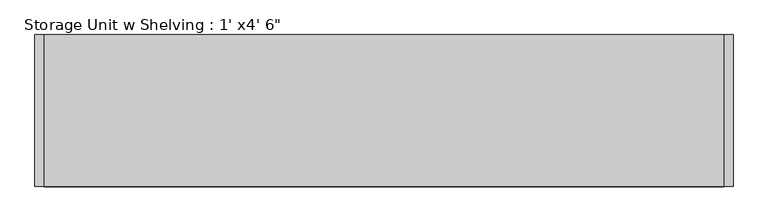
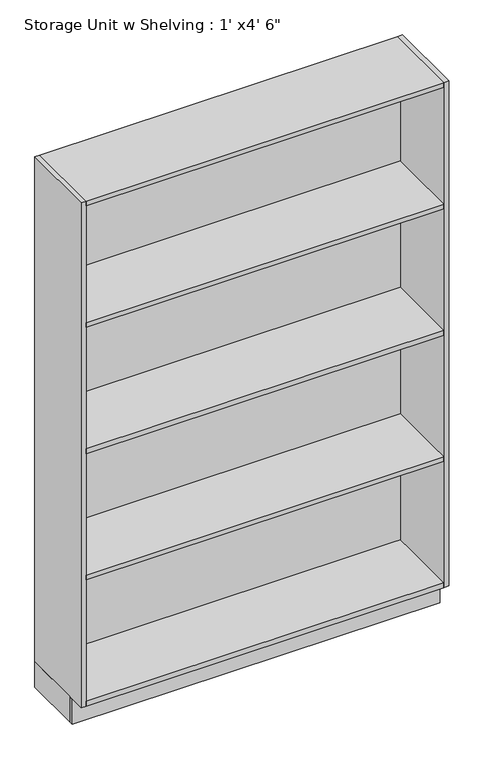
"""IFC4 building model written with IfcOpenShell, lengths in millimetres: furniture geometry."""

from ifc_helpers import new_model, si_unit, frame, origin, origin_with_axes, place, context, project, spatial, polyline, outline, extrude, source, transform, mapped, element, save


def furniture_63d47dee(model_context):
    return source(origin(), model_context, "Body", "SweptSolid", [
        extrude(outline(polyline([(575.190969, -228.6), (575.190969, 0.0), (594.240969, 0.0), (594.240969, -228.6), (575.190969, -228.6)])), origin_with_axes(), (0.0, 0.0, 1.0), 101.6),
        extrude(outline(polyline([(-805.759031, -228.6), (-805.759031, 0.0), (-786.709031, 0.0), (-786.709031, -228.6), (-805.759031, -228.6)])), origin_with_axes(), (0.0, 0.0, 1.0), 101.6),
        extrude(outline(polyline([(575.190969, -19.05), (575.190969, -304.8), (-786.709031, -304.8), (-786.709031, -19.05), (575.190969, -19.05)])), frame((0.0, 0.0, 1625.6), z_axis=(0.0, 0.0, 1.0), x_axis=(1.0, 0.0, 0.0)), (0.0, 0.0, 1.0), 19.05),
        extrude(outline(polyline([(575.190969, -19.05), (575.190969, -304.8), (-786.709031, -304.8), (-786.709031, -19.05), (575.190969, -19.05)])), frame((0.0, 0.0, 1117.6), z_axis=(0.0, 0.0, 1.0), x_axis=(1.0, 0.0, 0.0)), (0.0, 0.0, 1.0), 19.05),
        extrude(outline(polyline([(575.190969, -19.05), (575.190969, -304.8), (-786.709031, -304.8), (-786.709031, -19.05), (575.190969, -19.05)])), frame((0.0, 0.0, 609.6), z_axis=(0.0, 0.0, 1.0), x_axis=(1.0, 0.0, 0.0)), (0.0, 0.0, 1.0), 19.05),
        extrude(outline(polyline([(575.190969, -19.05), (575.190969, -304.8), (-786.709031, -304.8), (-786.709031, -19.05), (575.190969, -19.05)])), frame((0.0, 0.0, 101.6), z_axis=(0.0, 0.0, 1.0), x_axis=(1.0, 0.0, 0.0)), (0.0, 0.0, 1.0), 19.05),
        extrude(outline(polyline([(575.190969, -19.05), (-786.709031, -19.05), (-786.709031, 0.0), (575.190969, 0.0), (575.190969, -19.05)])), origin_with_axes(), (0.0, 0.0, 1.0), 2114.55),
        extrude(outline(polyline([(575.190969, 0.0), (575.190969, -304.8), (-786.709031, -304.8), (-786.709031, 0.0), (575.190969, 0.0)])), frame((0.0, 0.0, 2114.55), z_axis=(0.0, 0.0, 1.0), x_axis=(1.0, 0.0, 0.0)), (0.0, 0.0, 1.0), 19.05),
        extrude(outline(polyline([(575.190969, -304.8), (575.190969, 0.0), (594.240969, 0.0), (594.240969, -304.8), (575.190969, -304.8)])), frame((0.0, 0.0, 101.6), z_axis=(0.0, 0.0, 1.0), x_axis=(1.0, 0.0, 0.0)), (0.0, 0.0, 1.0), 2032.0),
        extrude(outline(polyline([(-805.759031, -304.8), (-805.759031, 0.0), (-786.709031, 0.0), (-786.709031, -304.8), (-805.759031, -304.8)])), frame((0.0, 0.0, 101.6), z_axis=(0.0, 0.0, 1.0), x_axis=(1.0, 0.0, 0.0)), (0.0, 0.0, 1.0), 2032.0),
        extrude(outline(polyline([(-805.759031, -247.65), (-805.759031, -228.6), (594.240969, -228.6), (594.240969, -247.65), (-805.759031, -247.65)])), origin_with_axes(), (0.0, 0.0, 1.0), 101.6),
    ])


if __name__ == "__main__":
    model = new_model("IFC4")
    model_context = context("Model", 3, world=origin())
    ifc_project = project(units=[si_unit("LENGTHUNIT", "METRE", prefix="MILLI")], contexts=[model_context])
    site = spatial("IfcSite", under=ifc_project)
    building = spatial("IfcBuilding", under=site)
    placement = place(None, origin())
    furniture_shape = furniture_63d47dee(model_context)
    element("IfcFurniture", 1, ObjectType="Storage Unit w Shelving : 1' x4' 6\"", at=placement, inside=building, context=model_context, shape_type="MappedRepresentation", body=[
        mapped(furniture_shape, transform((0.0, 0.0, 0.0), x_axis=(1.0, 0.0, 0.0), y_axis=(0.0, 1.0, 0.0), z_axis=(0.0, 0.0, 1.0))),
    ])
    save(model, "model.ifc")
